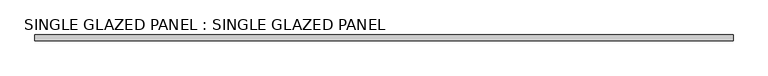
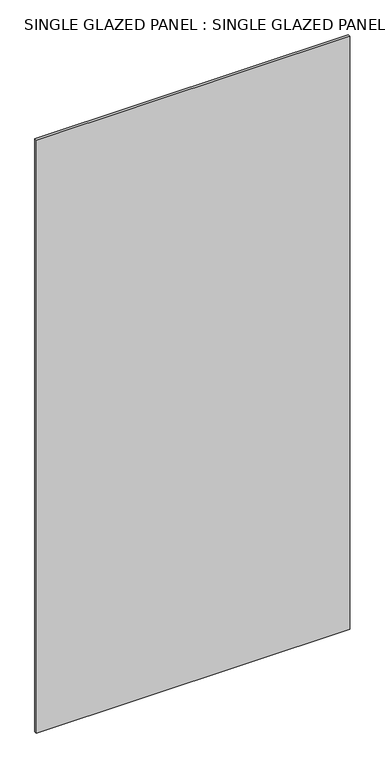
"""IFC4 building model written with IfcOpenShell, lengths in millimetres: plate geometry, SINGLE GLAZED PANEL : SINGLE GLAZED PANEL."""

from ifc_helpers import new_model, si_unit, origin, origin_with_axes, place, context, project, spatial, polyline, outline, extrude, source, transform, mapped, element, save


def single_glazed_panel_single_glazed_panel_cf5fa29a(model_context):
    return source(origin(), model_context, "Body", "SweptSolid", [
        extrude(outline(polyline([(760.4125, 6.35), (760.4125, -6.35), (-760.4125, -6.35), (-760.4125, 6.35), (760.4125, 6.35)])), origin_with_axes(), (0.0, 0.0, 1.0), 3041.65),
    ])


if __name__ == "__main__":
    model = new_model("IFC4")
    model_context = context("Model", 3, world=origin())
    ifc_project = project(units=[si_unit("LENGTHUNIT", "METRE", prefix="MILLI")], contexts=[model_context])
    site = spatial("IfcSite", under=ifc_project)
    building = spatial("IfcBuilding", under=site)
    placement = place(None, origin())
    single_glazed_panel_single_glazed_panel_shape = single_glazed_panel_single_glazed_panel_cf5fa29a(model_context)
    element("IfcPlate", 1, ObjectType="SINGLE GLAZED PANEL : SINGLE GLAZED PANEL", at=placement, inside=building, context=model_context, shape_type="MappedRepresentation", body=[
        mapped(single_glazed_panel_single_glazed_panel_shape, transform((0.0, 0.0, 0.0), x_axis=(1.0, 0.0, 0.0), y_axis=(0.0, 1.0, 0.0), z_axis=(0.0, 0.0, 1.0))),
    ])
    save(model, "model.ifc")
